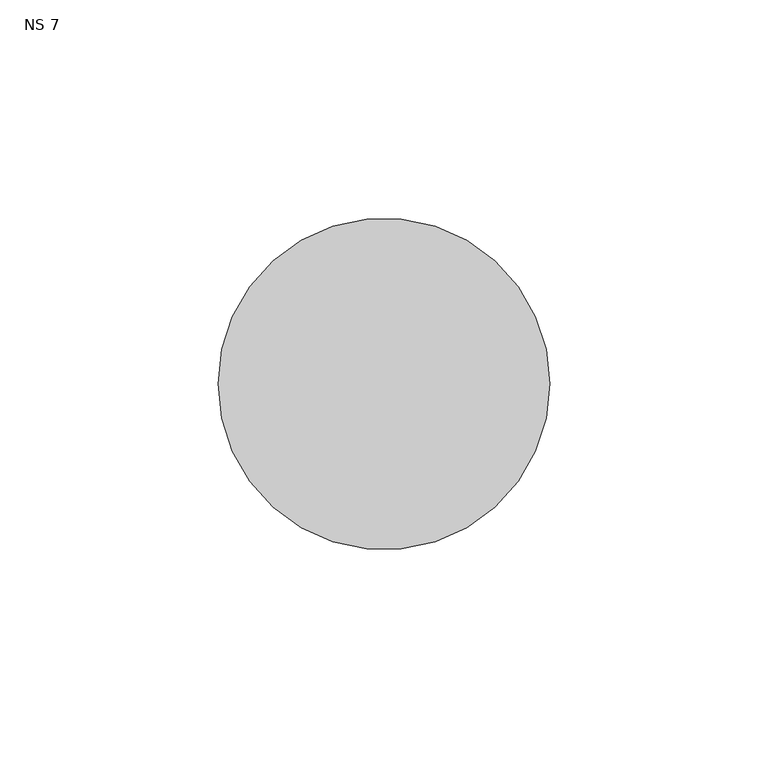
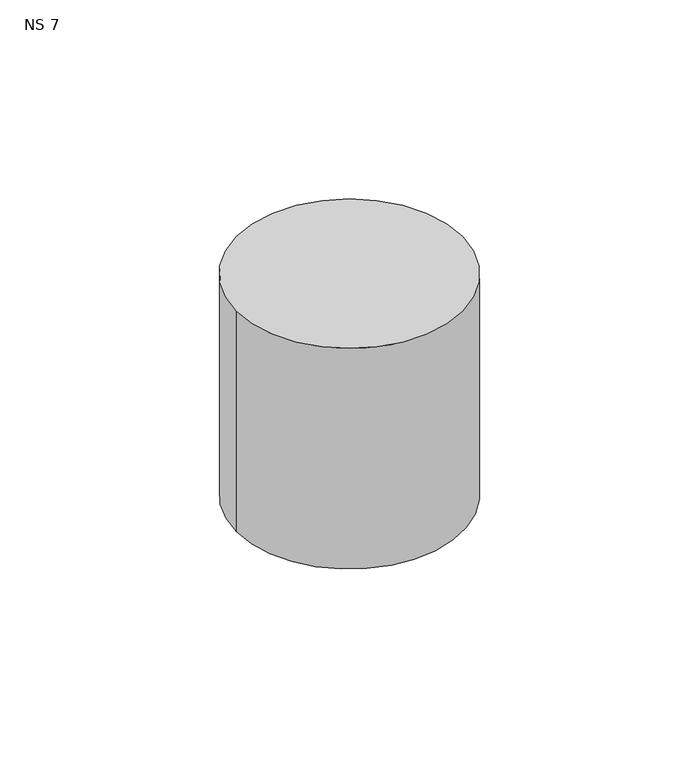
"""IFC4 building model written with IfcOpenShell, lengths in millimetres: unitary equipment geometry, NS 7."""

from ifc_helpers import new_model, si_unit, point, frame, frame_2d, origin, place, context, project, spatial, circle_curve, trimmed, segment, composite_curve, outline, extrude, source, transform, mapped, element, save


def ns_7_e8816fcf(model_context):
    return source(origin(), model_context, "Body", "SweptSolid", [
        extrude(outline(composite_curve([segment(trimmed(circle_curve(frame_2d((324.5, 565.1)), 38.0), [point((286.5, 565.1))], [point((362.5, 565.1))], False, "CARTESIAN"), True, "CONTINUOUS"), segment(trimmed(circle_curve(frame_2d((324.5, 565.1)), 38.0), [point((362.5, 565.1))], [point((286.5, 565.1))], False, "CARTESIAN"), True, "CONTINUOUS")], self_intersect=False)), frame((0.0, 0.0, 1728.5), z_axis=(0.0, 0.0, 1.0), x_axis=(1.0, 0.0, 0.0)), (0.0, 0.0, 1.0), 78.5),
    ])


if __name__ == "__main__":
    model = new_model("IFC4")
    model_context = context("Model", 3, world=origin())
    ifc_project = project(units=[si_unit("LENGTHUNIT", "METRE", prefix="MILLI")], contexts=[model_context])
    site = spatial("IfcSite", under=ifc_project)
    building = spatial("IfcBuilding", under=site)
    placement = place(None, origin())
    ns_7_shape = ns_7_e8816fcf(model_context)
    element("IfcUnitaryEquipment", 1, ObjectType="NS 7", at=placement, inside=building, context=model_context, shape_type="MappedRepresentation", body=[
        mapped(ns_7_shape, transform((0.0, 0.0, 0.0), x_axis=(1.0, 0.0, 0.0), y_axis=(0.0, 1.0, 0.0), z_axis=(0.0, 0.0, 1.0))),
    ])
    save(model, "model.ifc")
